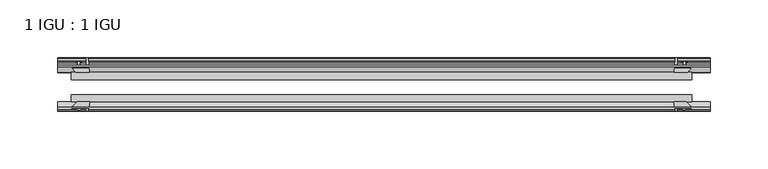
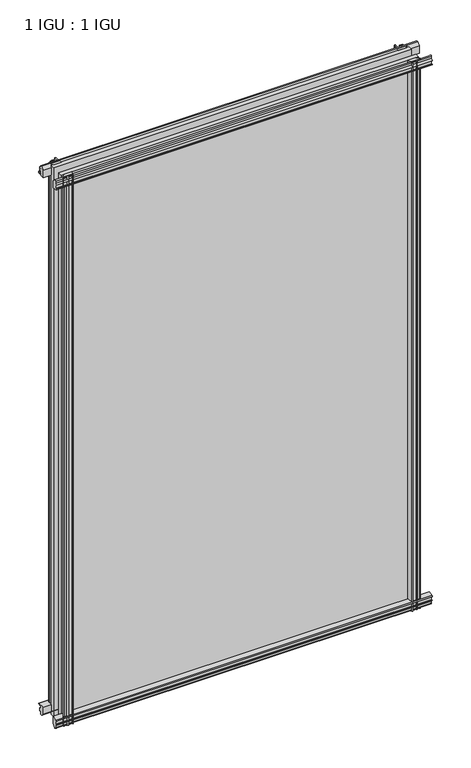
"""IFC4 building model written with IfcOpenShell, lengths in millimetres: plate geometry, 1 IGU : 1 IGU."""

from ifc_helpers import new_model, si_unit, point, frame, frame_2d, origin, place, context, project, spatial, polyline, circle_curve, trimmed, segment, composite_curve, outline, extrude, source, transform, mapped, element, save


def plate_1_igu_1_igu_ca7860c4(model_context):
    return source(origin(), model_context, "Body", "SweptSolid", [
        extrude(outline(composite_curve([segment(polyline([(-57.0900403, 1.731044), (-50.00625, 3.0983599), (-50.00625, -7.92383), (-54.1882244, -12.1058044)]), True, "CONTINUOUS"), segment(trimmed(circle_curve(frame_2d((-55.08625, -11.2077788)), 1.27), [point((-54.1882244, -12.1058044))], [point((-56.35625, -11.2077788))], False, "CARTESIAN"), True, "CONTINUOUS"), segment(polyline([(-56.35625, -11.2077788), (-56.35625, -8.0327788), (-57.835546, -5.4488186), (-56.35625, -5.1879788), (-56.35625, 0.2222212), (-57.65913, 0.0383748)]), True, "CONTINUOUS"), segment(trimmed(circle_curve(frame_2d((-56.9150839, 0.7302212)), 1.016), [point((-57.65913, 0.0383748))], [point((-57.0900403, 1.731044))], False, "CARTESIAN"), True, "CONTINUOUS")], self_intersect=False)), frame((-280.1239, 0.0, 0.0), z_axis=(1.0, 0.0, 0.0), x_axis=(0.0, 1.0, 0.0)), (0.0, 0.0, 1.0), 564.2864),
        extrude(outline(composite_curve([segment(polyline([(-24.60625, 2.5763839), (-12.8423053, 1.6478499)]), True, "CONTINUOUS"), segment(trimmed(circle_curve(frame_2d((-12.92225, 0.635)), 1.016), [point((-12.8423053, 1.6478499))], [point((-12.1291353, 0.0))], False, "CARTESIAN"), True, "CONTINUOUS"), segment(polyline([(-12.1291353, 0.0), (-18.25625, 0.0), (-18.25625, -4.953), (-15.9568457, -5.5691235), (-16.3325195, -4.1670901), (-15.4738114, -3.937), (-14.82725, -6.35), (-15.4738114, -8.763), (-16.3325195, -8.5329099), (-15.9568457, -7.1308765), (-18.25625, -7.747), (-18.25625, -12.7), (-20.28825, -12.7), (-24.60625, -9.1036931), (-24.60625, 2.5763839)]), True, "CONTINUOUS")], self_intersect=False)), frame((-280.1239, 0.0, 0.0), z_axis=(1.0, 0.0, 0.0), x_axis=(0.0, 1.0, 0.0)), (0.0, 0.0, 1.0), 564.2864),
        extrude(outline(composite_curve([segment(polyline([(-20.28825, 857.1484), (-18.25625, 857.1484), (-18.25625, 852.1954), (-15.9568457, 851.5792765), (-16.3325195, 852.9813099), (-15.4738114, 853.2114), (-14.82725, 850.7984), (-15.4738114, 848.3854), (-16.3325195, 848.6154901), (-15.9568457, 850.0175235), (-18.25625, 849.4014), (-18.25625, 844.4484), (-12.1291353, 844.4484)]), True, "CONTINUOUS"), segment(trimmed(circle_curve(frame_2d((-12.92225, 843.8134)), 1.016), [point((-12.1291353, 844.4484))], [point((-12.8423053, 842.8005501))], False, "CARTESIAN"), True, "CONTINUOUS"), segment(polyline([(-12.8423053, 842.8005501), (-24.60625, 841.8720161), (-24.60625, 853.5520931), (-20.28825, 857.1484)]), True, "CONTINUOUS")], self_intersect=False)), frame((-280.1239, 0.0, 0.0), z_axis=(1.0, 0.0, 0.0), x_axis=(0.0, 1.0, 0.0)), (0.0, 0.0, 1.0), 564.2864),
        extrude(outline(composite_curve([segment(trimmed(circle_curve(frame_2d((-56.9150839, 843.7181788)), 1.016), [point((-57.0900403, 842.717356))], [point((-57.65913, 844.4100252))], False, "CARTESIAN"), True, "CONTINUOUS"), segment(polyline([(-57.65913, 844.4100252), (-56.35625, 844.2261788), (-56.35625, 849.6363788), (-57.835546, 849.8972186), (-56.35625, 852.4811788), (-56.35625, 855.6561788)]), True, "CONTINUOUS"), segment(trimmed(circle_curve(frame_2d((-55.08625, 855.6561788)), 1.27), [point((-56.35625, 855.6561788))], [point((-54.1882244, 856.5542044))], False, "CARTESIAN"), True, "CONTINUOUS"), segment(polyline([(-54.1882244, 856.5542044), (-50.00625, 852.37223), (-50.00625, 841.3500401), (-57.0900403, 842.717356)]), True, "CONTINUOUS")], self_intersect=False)), frame((-280.1239, 0.0, 0.0), z_axis=(1.0, 0.0, 0.0), x_axis=(0.0, 1.0, 0.0)), (0.0, 0.0, 1.0), 564.2864),
        extrude(outline(composite_curve([segment(polyline([(253.0111161, -24.60625), (253.9396501, -12.8423053)]), True, "CONTINUOUS"), segment(trimmed(circle_curve(frame_2d((254.9525, -12.92225)), 1.016), [point((253.9396501, -12.8423053))], [point((255.5875, -12.1291353))], False, "CARTESIAN"), True, "CONTINUOUS"), segment(polyline([(255.5875, -12.1291353), (255.5875, -18.25625), (260.5405, -18.25625), (261.1566235, -15.9568457), (259.7545901, -16.3325195), (259.5245, -15.4738114), (261.9375, -14.82725), (264.3505, -15.4738114), (264.1204099, -16.3325195), (262.7183765, -15.9568457), (263.3345, -18.25625), (268.2875, -18.25625), (268.2875, -20.28825), (264.6911931, -24.60625), (253.0111161, -24.60625)]), True, "CONTINUOUS")], self_intersect=False)), frame((0.0, 0.0, -12.7), z_axis=(0.0, 0.0, 1.0), x_axis=(1.0, 0.0, 0.0)), (0.0, 0.0, 1.0), 869.8484),
        extrude(outline(composite_curve([segment(polyline([(260.7754788, -56.35625), (255.3652788, -56.35625), (255.5491252, -57.65913)]), True, "CONTINUOUS"), segment(trimmed(circle_curve(frame_2d((254.8572788, -56.9150839)), 1.016), [point((255.5491252, -57.65913))], [point((253.856456, -57.0900403))], False, "CARTESIAN"), True, "CONTINUOUS"), segment(polyline([(253.856456, -57.0900403), (252.4891401, -50.00625), (263.51133, -50.00625), (267.6933044, -54.1882244)]), True, "CONTINUOUS"), segment(trimmed(circle_curve(frame_2d((266.7952788, -55.08625)), 1.27), [point((267.6933044, -54.1882244))], [point((266.7952788, -56.35625))], False, "CARTESIAN"), True, "CONTINUOUS"), segment(polyline([(266.7952788, -56.35625), (263.6202788, -56.35625), (261.0363186, -57.835546), (260.7754788, -56.35625)]), True, "CONTINUOUS")], self_intersect=False)), frame((0.0, 0.0, -12.7), z_axis=(0.0, 0.0, 1.0), x_axis=(1.0, 0.0, 0.0)), (0.0, 0.0, 1.0), 869.8484),
        extrude(outline(composite_curve([segment(polyline([(-253.0111161, -24.60625), (-264.6911931, -24.60625), (-268.2875, -20.28825), (-268.2875, -18.25625), (-263.3345, -18.25625), (-262.7183765, -15.9568457), (-264.1204099, -16.3325195), (-264.3505, -15.4738114), (-261.9375, -14.82725), (-259.5245, -15.4738114), (-259.7545901, -16.3325195), (-261.1566235, -15.9568457), (-260.5405, -18.25625), (-255.5875, -18.25625), (-255.5875, -12.1291353)]), True, "CONTINUOUS"), segment(trimmed(circle_curve(frame_2d((-254.9525, -12.92225)), 1.016), [point((-255.5875, -12.1291353))], [point((-253.9396501, -12.8423053))], False, "CARTESIAN"), True, "CONTINUOUS"), segment(polyline([(-253.9396501, -12.8423053), (-253.0111161, -24.60625)]), True, "CONTINUOUS")], self_intersect=False)), frame((0.0, 0.0, -12.7), z_axis=(0.0, 0.0, 1.0), x_axis=(1.0, 0.0, 0.0)), (0.0, 0.0, 1.0), 869.8484),
        extrude(outline(composite_curve([segment(polyline([(-252.4891401, -50.00625), (-253.856456, -57.0900403)]), True, "CONTINUOUS"), segment(trimmed(circle_curve(frame_2d((-254.8572788, -56.9150839)), 1.016), [point((-253.856456, -57.0900403))], [point((-255.5491252, -57.65913))], False, "CARTESIAN"), True, "CONTINUOUS"), segment(polyline([(-255.5491252, -57.65913), (-255.3652788, -56.35625), (-260.7754788, -56.35625), (-261.0363186, -57.835546), (-263.6202788, -56.35625), (-266.7952788, -56.35625)]), True, "CONTINUOUS"), segment(trimmed(circle_curve(frame_2d((-266.7952788, -55.08625)), 1.27), [point((-266.7952788, -56.35625))], [point((-267.6933044, -54.1882244))], False, "CARTESIAN"), True, "CONTINUOUS"), segment(polyline([(-267.6933044, -54.1882244), (-263.51133, -50.00625), (-252.4891401, -50.00625)]), True, "CONTINUOUS")], self_intersect=False)), frame((0.0, 0.0, -12.7), z_axis=(0.0, 0.0, 1.0), x_axis=(1.0, 0.0, 0.0)), (0.0, 0.0, 1.0), 869.8484),
        extrude(outline(polyline([(-268.2875, -24.60625), (268.2875, -24.60625), (268.2875, -30.95625), (-268.2875, -30.95625), (-268.2875, -24.60625)])), frame((0.0, 0.0, -12.7), z_axis=(0.0, 0.0, 1.0), x_axis=(1.0, 0.0, 0.0)), (0.0, 0.0, 1.0), 869.8484),
        extrude(outline(polyline([(268.2875, -43.65625), (268.2875, -50.00625), (-268.2875, -50.00625), (-268.2875, -43.65625), (268.2875, -43.65625)])), frame((0.0, 0.0, -12.7), z_axis=(0.0, 0.0, 1.0), x_axis=(1.0, 0.0, 0.0)), (0.0, 0.0, 1.0), 869.8484),
    ])


if __name__ == "__main__":
    model = new_model("IFC4")
    model_context = context("Model", 3, world=origin())
    ifc_project = project(units=[si_unit("LENGTHUNIT", "METRE", prefix="MILLI")], contexts=[model_context])
    site = spatial("IfcSite", under=ifc_project)
    building = spatial("IfcBuilding", under=site)
    placement = place(None, origin())
    plate_1_igu_1_igu_shape = plate_1_igu_1_igu_ca7860c4(model_context)
    element("IfcPlate", 1, ObjectType="1 IGU : 1 IGU", at=placement, inside=building, context=model_context, shape_type="MappedRepresentation", body=[
        mapped(plate_1_igu_1_igu_shape, transform((0.0, 0.0, 0.0), x_axis=(1.0, 0.0, 0.0), y_axis=(0.0, 1.0, 0.0), z_axis=(0.0, 0.0, 1.0))),
    ])
    save(model, "model.ifc")
